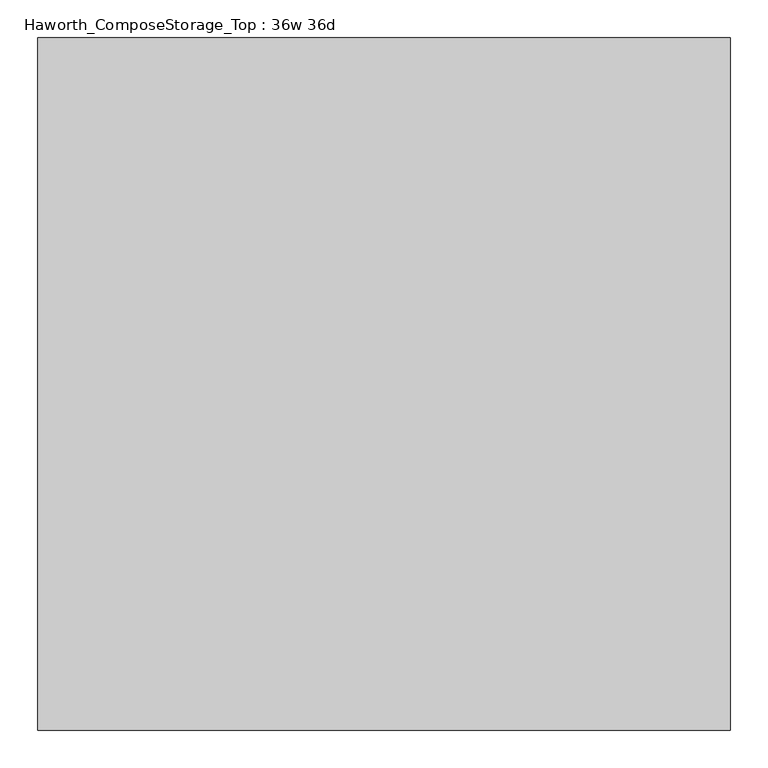
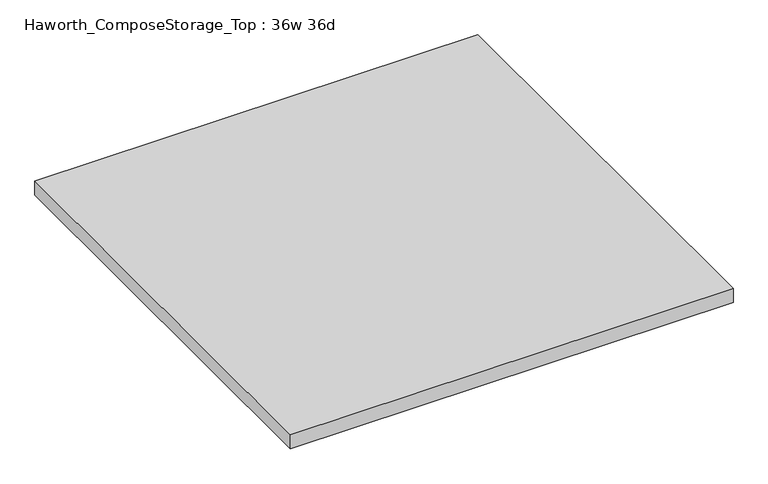
"""IFC4 building model written with IfcOpenShell, lengths in millimetres: furniture geometry, Haworth_ComposeStorage_Top : 36w 36d."""

from ifc_helpers import new_model, si_unit, frame, origin, place, context, project, spatial, polyline, outline, extrude, source, transform, mapped, element, save


def haworth_composestorage_top_36w_36d_fd5c3f8e(model_context):
    return source(origin(), model_context, "Body", "SweptSolid", [
        extrude(outline(polyline([(457.2, 457.2), (457.2, -457.2), (-457.2, -457.2), (-457.2, 457.2), (457.2, 457.2)])), frame((0.0, 0.0, 706.4375), z_axis=(0.0, 0.0, 1.0), x_axis=(1.0, 0.0, 0.0)), (0.0, 0.0, 1.0), 30.1625),
    ])


if __name__ == "__main__":
    model = new_model("IFC4")
    model_context = context("Model", 3, world=origin())
    ifc_project = project(units=[si_unit("LENGTHUNIT", "METRE", prefix="MILLI")], contexts=[model_context])
    site = spatial("IfcSite", under=ifc_project)
    building = spatial("IfcBuilding", under=site)
    placement = place(None, origin())
    haworth_composestorage_top_36w_36d_shape = haworth_composestorage_top_36w_36d_fd5c3f8e(model_context)
    element("IfcFurniture", 1, ObjectType="Haworth_ComposeStorage_Top : 36w 36d", at=placement, inside=building, context=model_context, shape_type="MappedRepresentation", body=[
        mapped(haworth_composestorage_top_36w_36d_shape, transform((0.0, 0.0, 0.0), x_axis=(1.0, 0.0, 0.0), y_axis=(0.0, 1.0, 0.0), z_axis=(0.0, 0.0, 1.0))),
    ])
    save(model, "model.ifc")
